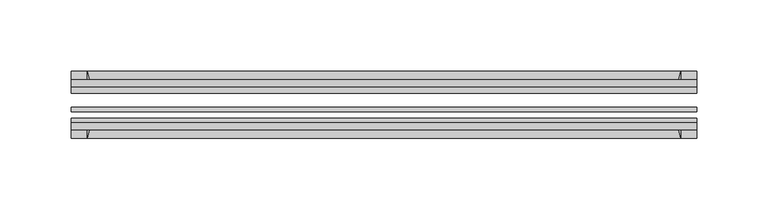
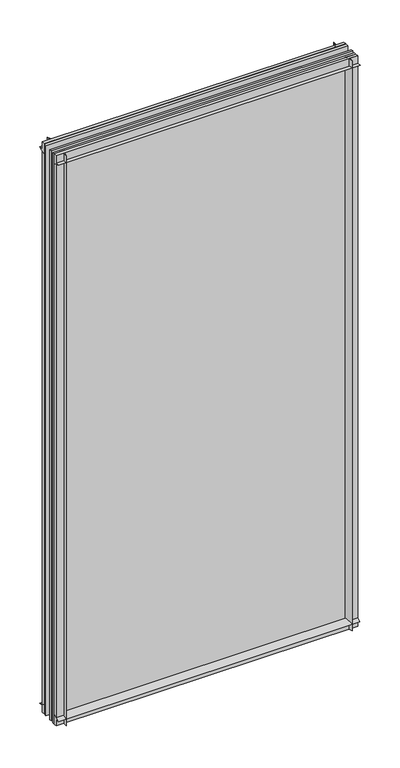
"""IFC4 building model written with IfcOpenShell, lengths in millimetres: plate geometry."""

from ifc_helpers import new_model, si_unit, point, frame, frame_2d, origin, place, context, project, spatial, polyline, circle_curve, trimmed, segment, composite_curve, outline, extrude, source, transform, mapped, element, save


def plate_f6fec36d(model_context):
    return source(origin(), model_context, "Body", "SweptSolid", [
        extrude(outline(composite_curve([segment(polyline([(-74.653775, 0.0), (-80.586498, 0.0)]), True, "CONTINUOUS"), segment(trimmed(circle_curve(frame_2d((-86.2543953, 32.273404)), 32.7673262), [point((-80.586498, 0.0))], [point((-69.878575, 3.8915405))], True, "CARTESIAN"), True, "CONTINUOUS"), segment(polyline([(-69.878575, 3.8915405), (-69.878575, -10.31875), (-74.653775, -10.31875), (-74.653775, 0.0)]), True, "CONTINUOUS")], self_intersect=False)), frame((-219.0607126, 0.0, 0.0), z_axis=(1.0, 0.0, 0.0), x_axis=(0.0, 1.0, 0.0)), (0.0, 0.0, 1.0), 438.1214253),
        extrude(outline(composite_curve([segment(polyline([(-44.478575, -10.31875), (-44.478575, 3.8915405)]), True, "CONTINUOUS"), segment(trimmed(circle_curve(frame_2d((-28.1027547, 32.273404)), 32.7673262), [point((-44.478575, 3.8915405))], [point((-33.770652, 0.0))], True, "CARTESIAN"), True, "CONTINUOUS"), segment(polyline([(-33.770652, 0.0), (-39.703375, 0.0), (-39.703375, -10.31875), (-44.478575, -10.31875)]), True, "CONTINUOUS")], self_intersect=False)), frame((-219.0607126, 0.0, 0.0), z_axis=(1.0, 0.0, 0.0), x_axis=(0.0, 1.0, 0.0)), (0.0, 0.0, 1.0), 438.1214253),
        extrude(outline(composite_curve([segment(trimmed(circle_curve(frame_2d((-86.2543953, 821.795246)), 32.7673262), [point((-69.878575, 850.1771095))], [point((-80.622775, 854.075))], True, "CARTESIAN"), True, "CONTINUOUS"), segment(polyline([(-80.622775, 854.075), (-74.653775, 854.075), (-74.653775, 865.1875), (-69.878575, 865.1875), (-69.878575, 850.1771095)]), True, "CONTINUOUS")], self_intersect=False)), frame((-219.0607126, 0.0, 0.0), z_axis=(1.0, 0.0, 0.0), x_axis=(0.0, 1.0, 0.0)), (0.0, 0.0, 1.0), 438.1214253),
        extrude(outline(composite_curve([segment(polyline([(-44.478575, 850.1771095), (-44.478575, 865.1875), (-39.703375, 865.1875), (-39.703375, 854.075), (-33.734375, 854.075)]), True, "CONTINUOUS"), segment(trimmed(circle_curve(frame_2d((-28.1027547, 821.795246)), 32.7673262), [point((-33.734375, 854.075))], [point((-44.478575, 850.1771095))], True, "CARTESIAN"), True, "CONTINUOUS")], self_intersect=False)), frame((-219.0607126, 0.0, 0.0), z_axis=(1.0, 0.0, 0.0), x_axis=(0.0, 1.0, 0.0)), (0.0, 0.0, 1.0), 438.1214253),
        extrude(outline(composite_curve([segment(polyline([(204.0503221, -69.878575), (219.0607126, -69.878575), (219.0607126, -74.653775), (207.9482126, -74.653775), (207.9482126, -80.622775)]), True, "CONTINUOUS"), segment(trimmed(circle_curve(frame_2d((175.6684587, -86.2543953)), 32.7673262), [point((207.9482126, -80.622775))], [point((204.0503221, -69.878575))], True, "CARTESIAN"), True, "CONTINUOUS")], self_intersect=False)), frame((0.0, 0.0, -10.31875), z_axis=(0.0, 0.0, 1.0), x_axis=(1.0, 0.0, 0.0)), (0.0, 0.0, 1.0), 875.50625),
        extrude(outline(composite_curve([segment(trimmed(circle_curve(frame_2d((175.6684587, -28.1027547)), 32.7673262), [point((204.0503221, -44.478575))], [point((207.9482126, -33.734375))], True, "CARTESIAN"), True, "CONTINUOUS"), segment(polyline([(207.9482126, -33.734375), (207.9482126, -39.703375), (219.0607126, -39.703375), (219.0607126, -44.478575), (204.0503221, -44.478575)]), True, "CONTINUOUS")], self_intersect=False)), frame((0.0, 0.0, -10.31875), z_axis=(0.0, 0.0, 1.0), x_axis=(1.0, 0.0, 0.0)), (0.0, 0.0, 1.0), 875.50625),
        extrude(outline(composite_curve([segment(trimmed(circle_curve(frame_2d((-175.6684587, -86.2543953)), 32.7673262), [point((-204.0503221, -69.878575))], [point((-207.9482126, -80.622775))], True, "CARTESIAN"), True, "CONTINUOUS"), segment(polyline([(-207.9482126, -80.622775), (-207.9482126, -74.653775), (-219.0607126, -74.653775), (-219.0607126, -69.878575), (-204.0503221, -69.878575)]), True, "CONTINUOUS")], self_intersect=False)), frame((0.0, 0.0, -10.31875), z_axis=(0.0, 0.0, 1.0), x_axis=(1.0, 0.0, 0.0)), (0.0, 0.0, 1.0), 875.50625),
        extrude(outline(composite_curve([segment(polyline([(-204.0503221, -44.478575), (-219.0607126, -44.478575), (-219.0607126, -39.703375), (-207.9482126, -39.703375), (-207.9482126, -33.734375)]), True, "CONTINUOUS"), segment(trimmed(circle_curve(frame_2d((-175.6684587, -28.1027547)), 32.7673262), [point((-207.9482126, -33.734375))], [point((-204.0503221, -44.478575))], True, "CARTESIAN"), True, "CONTINUOUS")], self_intersect=False)), frame((0.0, 0.0, -10.31875), z_axis=(0.0, 0.0, 1.0), x_axis=(1.0, 0.0, 0.0)), (0.0, 0.0, 1.0), 875.50625),
        extrude(outline(polyline([(-219.0607126, -44.478575), (219.0607126, -44.478575), (219.0607126, -49.241075), (-219.0607126, -49.241075), (-219.0607126, -44.478575)])), frame((0.0, 0.0, -10.31875), z_axis=(0.0, 0.0, 1.0), x_axis=(1.0, 0.0, 0.0)), (0.0, 0.0, 1.0), 875.50625),
        extrude(outline(polyline([(219.0607126, -58.956575), (219.0607126, -62.131575), (-219.0607126, -62.131575), (-219.0607126, -58.956575), (219.0607126, -58.956575)])), frame((0.0, 0.0, -10.31875), z_axis=(0.0, 0.0, 1.0), x_axis=(1.0, 0.0, 0.0)), (0.0, 0.0, 1.0), 875.50625),
        extrude(outline(polyline([(-219.0607126, -66.703575), (219.0607126, -66.703575), (219.0607126, -69.878575), (-219.0607126, -69.878575), (-219.0607126, -66.703575)])), frame((0.0, 0.0, -10.31875), z_axis=(0.0, 0.0, 1.0), x_axis=(1.0, 0.0, 0.0)), (0.0, 0.0, 1.0), 875.50625),
    ])


if __name__ == "__main__":
    model = new_model("IFC4")
    model_context = context("Model", 3, world=origin())
    ifc_project = project(units=[si_unit("LENGTHUNIT", "METRE", prefix="MILLI")], contexts=[model_context])
    site = spatial("IfcSite", under=ifc_project)
    building = spatial("IfcBuilding", under=site)
    placement = place(None, origin())
    plate_shape = plate_f6fec36d(model_context)
    element("IfcPlate", 1, at=placement, inside=building, context=model_context, shape_type="MappedRepresentation", body=[
        mapped(plate_shape, transform((0.0, 0.0, 0.0), x_axis=(1.0, 0.0, 0.0), y_axis=(0.0, 1.0, 0.0), z_axis=(0.0, 0.0, 1.0))),
    ])
    save(model, "model.ifc")
